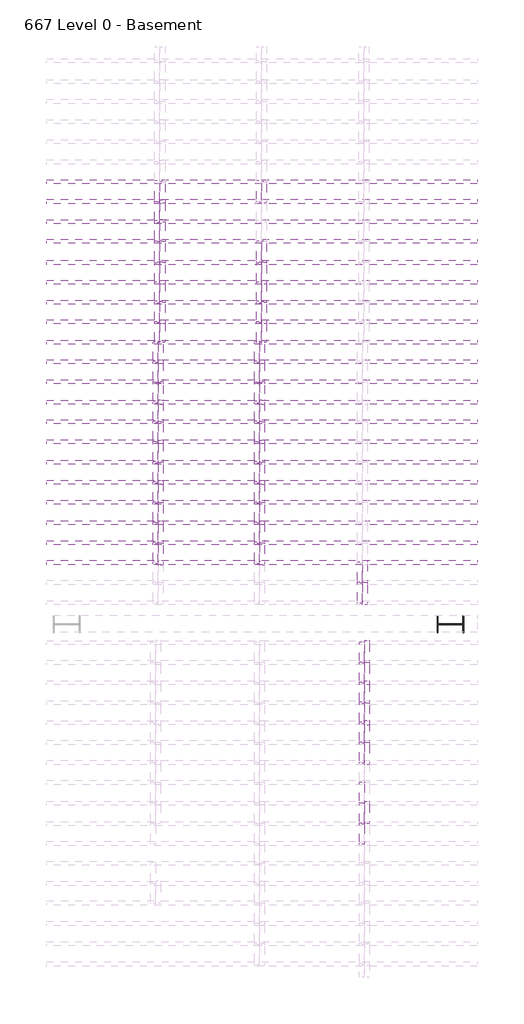
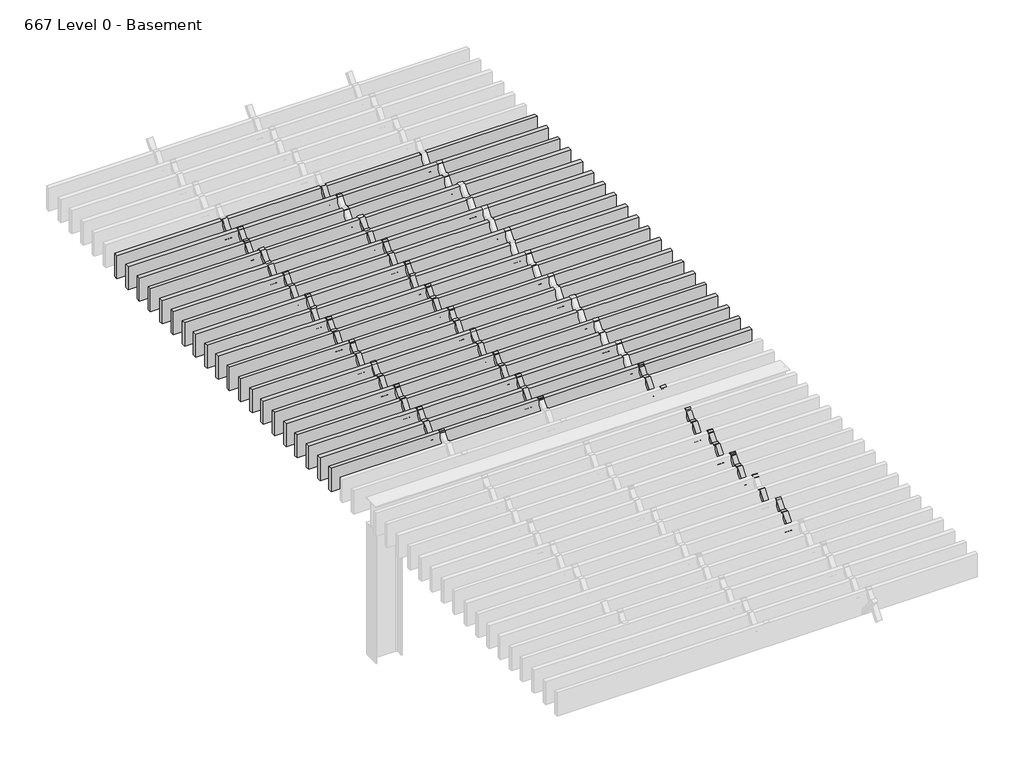
# One storey, part 8 of 19: 112 beams, 1 column.
"""IFC4 building model written with IfcOpenShell, lengths in millimetres."""

import ifcopenshell
import ifcopenshell.guid

model = None  # the IFC model being written
_history = None  # IfcOwnerHistory: only IFC2X3 demands one
_inside = {}  # id of a spatial element -> (the spatial element, [elements in it])
_under = {}  # id of a project, library or spatial element -> (it, [spatial elements below it])
_declared = {}  # id of a project -> (the project, [libraries it declares])
_typed = {}  # id of a type object -> (the type object, [elements of that type])
_made_of = {}  # id of a material, layer set ... -> (it, [elements and type objects made of it])


def new_model(schema):
    """Start an empty IFC model of exactly this schema.

    Asked for "IFC4X3", IfcOpenShell would pick the latest addendum, in which some entities
    have other attributes; the version numbers below select the first issue.
    IFC2X3 requires an IfcOwnerHistory on every rooted entity: one is made here for all.
    """
    global model, _history
    if schema == "IFC4X3":
        model = ifcopenshell.file(schema_version=(4, 3, 0, 0))
    else:
        model = ifcopenshell.file(schema=schema)
    _inside.clear()
    _under.clear()
    _declared.clear()
    _typed.clear()
    _made_of.clear()
    _history = None
    if model.schema == "IFC2X3":
        org = make("IfcOrganization", Name="unknown")
        user = make(
            "IfcPersonAndOrganization",
            ThePerson=make("IfcPerson", FamilyName="unknown"),
            TheOrganization=org,
        )
        app = make(
            "IfcApplication",
            ApplicationDeveloper=org,
            Version="unknown",
            ApplicationFullName="unknown",
            ApplicationIdentifier="unknown",
        )
        _history = make(
            "IfcOwnerHistory",
            OwningUser=user,
            OwningApplication=app,
            ChangeAction="ADDED",
            CreationDate=0,
        )
    return model


def make(cls, **values):
    """One entity of the class cls with the attributes given. An attribute that is None is left unset."""
    return model.create_entity(
        cls, **{name: value for name, value in values.items() if value is not None}
    )


def rooted(cls, **values):
    """An entity with a GlobalId (a new one), such as an element, a storey or a relation."""
    return make(cls, GlobalId=ifcopenshell.guid.new(), OwnerHistory=_history, **values)


def si_unit(unit_type, name, prefix=None):
    """IfcSIUnit, for example si_unit("LENGTHUNIT", "METRE", prefix="MILLI")."""
    return make("IfcSIUnit", UnitType=unit_type, Prefix=prefix, Name=name)


def assignment(units):
    """IfcUnitAssignment: the units of a project."""
    return None if units is None else make("IfcUnitAssignment", Units=units)


def point(xyz):
    """IfcCartesianPoint."""
    return None if xyz is None else make("IfcCartesianPoint", Coordinates=xyz)


def direction(xyz):
    """IfcDirection."""
    return None if xyz is None else make("IfcDirection", DirectionRatios=xyz)


def frame(location, z_axis=None, x_axis=None):
    """IfcAxis2Placement3D, a coordinate frame: its origin and axes. An axis left out is left unset."""
    return make(
        "IfcAxis2Placement3D",
        Location=point(location),
        Axis=direction(z_axis),
        RefDirection=direction(x_axis),
    )


def frame_2d(location, x_axis=None):
    """IfcAxis2Placement2D, a coordinate frame in the plane: its origin and x axis."""
    return make(
        "IfcAxis2Placement2D", Location=point(location), RefDirection=direction(x_axis)
    )


def origin():
    """The frame at (0, 0, 0) with its axes left unset."""
    return frame((0.0, 0.0, 0.0))


def place(relative_to, where):
    """IfcLocalPlacement: puts the frame where relative to a parent placement (None: the world)."""
    return make(
        "IfcLocalPlacement", PlacementRelTo=relative_to, RelativePlacement=where
    )


def context(
    kind, dimensions, precision=None, world=None, true_north=None, identifier=None
):
    """IfcGeometricRepresentationContext, for example the 3D "Model" context."""
    return make(
        "IfcGeometricRepresentationContext",
        ContextIdentifier=identifier,
        ContextType=kind,
        CoordinateSpaceDimension=dimensions,
        Precision=precision,
        WorldCoordinateSystem=world,
        TrueNorth=true_north,
    )


def project(units=None, contexts=None):
    """IfcProject with its units and contexts."""
    return rooted(
        "IfcProject",
        Name="project",
        RepresentationContexts=contexts,
        UnitsInContext=assignment(units),
    )


def spatial(cls, under=None, at=None, **own):
    """A site, building, storey or space (cls), placed at a placement, below another one or the project."""
    s = rooted(cls, ObjectPlacement=at, **own)
    if under is not None:
        _under.setdefault(under.id(), (under, []))[1].append(s)
    return s


def polyline(points):
    """IfcPolyline through the points."""
    return make("IfcPolyline", Points=[point(p) for p in points])


def circle_curve(where, radius):
    """IfcCircle in the frame where."""
    return make("IfcCircle", Position=where, Radius=radius)


def trimmed(basis, trim1, trim2, sense, master):
    """IfcTrimmedCurve: the piece of a basis curve between two trims."""
    return make(
        "IfcTrimmedCurve",
        BasisCurve=basis,
        Trim1=trim1,
        Trim2=trim2,
        SenseAgreement=sense,
        MasterRepresentation=master,
    )


def segment(curve, same_sense, transition):
    """IfcCompositeCurveSegment."""
    return make(
        "IfcCompositeCurveSegment",
        Transition=transition,
        SameSense=same_sense,
        ParentCurve=curve,
    )


def composite_curve(segments, self_intersect=None):
    """IfcCompositeCurve: segments joined end to end."""
    return make("IfcCompositeCurve", Segments=segments, SelfIntersect=self_intersect)


def outline(outer, holes=None, kind="AREA"):
    """IfcArbitraryClosedProfileDef: a profile drawn as a closed curve; with holes, ...WithVoids."""
    if holes is None:
        return make("IfcArbitraryClosedProfileDef", ProfileType=kind, OuterCurve=outer)
    return make(
        "IfcArbitraryProfileDefWithVoids",
        ProfileType=kind,
        OuterCurve=outer,
        InnerCurves=holes,
    )


def extrude(swept, where, along, depth):
    """IfcExtrudedAreaSolid: the profile swept, set in the frame where, extruded along a direction by depth."""
    return make(
        "IfcExtrudedAreaSolid",
        SweptArea=swept,
        Position=where,
        ExtrudedDirection=direction(along),
        Depth=depth,
    )


def shape(context_of_items, identifier, shape_type, items):
    """IfcShapeRepresentation: the items that make up one representation, for example the "Body"."""
    return make(
        "IfcShapeRepresentation",
        ContextOfItems=context_of_items,
        RepresentationIdentifier=identifier,
        RepresentationType=shape_type,
        Items=items,
    )


def source(mapping_origin, context_of_items, identifier, shape_type, items):
    """IfcRepresentationMap: a shape defined once, which mapped items show again and again."""
    return make(
        "IfcRepresentationMap",
        MappingOrigin=mapping_origin,
        MappedRepresentation=shape(context_of_items, identifier, shape_type, items),
    )


def transform(
    local_origin,
    x_axis=None,
    y_axis=None,
    z_axis=None,
    scale=None,
    scale2=None,
    scale3=None,
    uniform=True,
):
    """IfcCartesianTransformationOperator3D, or its non-uniform kind. x_axis, y_axis, z_axis: its Axis1, 2, 3."""
    if uniform:
        return make(
            "IfcCartesianTransformationOperator3D",
            Axis1=direction(x_axis),
            Axis2=direction(y_axis),
            LocalOrigin=point(local_origin),
            Scale=scale,
            Axis3=direction(z_axis),
        )
    return make(
        "IfcCartesianTransformationOperator3DnonUniform",
        Axis1=direction(x_axis),
        Axis2=direction(y_axis),
        LocalOrigin=point(local_origin),
        Scale=scale,
        Axis3=direction(z_axis),
        Scale2=scale2,
        Scale3=scale3,
    )


def mapped(mapping_source, mapping_target):
    """IfcMappedItem: shows the shape of a source again, moved by a transform."""
    return make(
        "IfcMappedItem", MappingSource=mapping_source, MappingTarget=mapping_target
    )


def made_of(thing, what):
    """Note that an element or type object is made of a material, layer set ...; save() writes the relation."""
    if what is not None:
        _made_of.setdefault(what.id(), (what, []))[1].append(thing)
    return thing


def element(
    cls,
    number,
    at=None,
    inside=None,
    cuts=None,
    type_object=None,
    material=None,
    context=None,
    identifier="Body",
    shape_type=None,
    held_by="IfcProductDefinitionShape",
    body=None,
    shapes=None,
    **own,
):
    """One element of the class cls, such as IfcWall. Its Tag is "e" and its number.

    at: its placement. inside: the storey or other place that contains it. cuts: it is an
    opening in that element (IfcRelVoidsElement). A single representation is given by context,
    identifier, shape_type and body (its items); several are given by shapes. held_by: the class
    of the entity that holds the representations. save() writes the other relations.
    """
    e = rooted(cls, Tag="e%d" % number, ObjectPlacement=at, **own)
    if body is not None:
        shapes = [shape(context, identifier, shape_type, body)]
    if shapes is not None:
        e.Representation = make(held_by, Representations=shapes)
    if inside is not None:
        _inside.setdefault(inside.id(), (inside, []))[1].append(e)
    if cuts is not None:
        rooted(
            "IfcRelVoidsElement", RelatingBuildingElement=cuts, RelatedOpeningElement=e
        )
    if type_object is not None:
        _typed.setdefault(type_object.id(), (type_object, []))[1].append(e)
    return made_of(e, material)


def aggregate(whole, parts):
    """IfcRelAggregates: a whole, such as a stair, and the parts it consists of."""
    return rooted("IfcRelAggregates", RelatingObject=whole, RelatedObjects=parts)


def save(model, path):
    """Write the relations noted so far, then the file.

    IfcRelAggregates (storeys below a building ...), IfcRelContainedInSpatialStructure (elements
    in a storey), IfcRelDefinesByType, IfcRelAssociatesMaterial and IfcRelDeclares: one each for
    every whole, place, type object, material and project.
    """
    for whole, parts in _under.values():
        aggregate(whole, parts)
    for where, things in _inside.values():
        rooted(
            "IfcRelContainedInSpatialStructure",
            RelatedElements=things,
            RelatingStructure=where,
        )
    for kind, things in _typed.values():
        rooted("IfcRelDefinesByType", RelatedObjects=things, RelatingType=kind)
    for what, things in _made_of.values():
        rooted("IfcRelAssociatesMaterial", RelatedObjects=things, RelatingMaterial=what)
    for by, libraries in _declared.values():
        rooted("IfcRelDeclares", RelatingContext=by, RelatedDefinitions=libraries)
    model.write(path)


def beam_e096f4d1(model_context):
    return source(origin(), model_context, "Body", "SweptSolid", [
        extrude(outline(polyline([(3282.95, 31.75), (3282.95, -31.75), (-3282.95, -31.75), (-3282.95, 31.75), (3282.95, 31.75)])), frame((0.0, 0.0, -190.5), z_axis=(0.0, 0.0, 1.0), x_axis=(1.0, 0.0, 0.0)), (0.0, 0.0, 1.0), 381.0),
    ])


def beam_159ec1f6(model_context):
    return source(origin(), model_context, "Body", "SweptSolid", [
        extrude(outline(polyline([(234.2662022, 25.4), (234.2662022, -25.4), (-234.2662022, -25.4), (-234.2662022, 25.4), (234.2662022, 25.4)])), frame((0.0, 0.0, -38.1), z_axis=(0.0, 0.0, 1.0), x_axis=(1.0, 0.0, 0.0)), (0.0, 0.0, 1.0), 76.2),
    ])


def beam_ee6f6494(model_context):
    return source(origin(), model_context, "Body", "SweptSolid", [
        extrude(outline(polyline([(234.2662022, -25.4), (-234.2662022, -25.4), (-234.2662022, 25.4), (234.2662022, 25.4), (234.2662022, -25.4)])), frame((0.0, 0.0, -38.1), z_axis=(0.0, 0.0, 1.0), x_axis=(1.0, 0.0, 0.0)), (0.0, 0.0, 1.0), 76.2),
    ])


def beam_812954b7(model_context):
    return source(origin(), model_context, "Body", "SweptSolid", [
        extrude(outline(polyline([(239.7234914, -25.4), (-239.7234914, -25.4), (-239.7234914, 25.4), (239.7234914, 25.4), (239.7234914, -25.4)])), frame((0.0, 0.0, -38.1), z_axis=(0.0, 0.0, 1.0), x_axis=(1.0, 0.0, 0.0)), (0.0, 0.0, 1.0), 76.2),
    ])


def beam_bad0900d(model_context):
    return source(origin(), model_context, "Body", "SweptSolid", [
        extrude(outline(polyline([(239.7234914, 25.4), (239.7234914, -25.4), (-239.7234914, -25.4), (-239.7234914, 25.4), (239.7234914, 25.4)])), frame((0.0, 0.0, -38.1), z_axis=(0.0, 0.0, 1.0), x_axis=(1.0, 0.0, 0.0)), (0.0, 0.0, 1.0), 76.2),
    ])


model = new_model("IFC4")

# Units and contexts
model_context = context("Model", 3, world=origin())
ifc_project = project(units=[si_unit("LENGTHUNIT", "METRE", prefix="MILLI")], contexts=[model_context])

# Site, building, storey
site = spatial("IfcSite", under=ifc_project)
building = spatial("IfcBuilding", under=site)
storey = spatial("IfcBuildingStorey", under=building, Name="667 Level 0 - Basement", Elevation=-14122.4)

# Beams
placement = place(None, origin())
beam_shape = beam_e096f4d1(model_context)
element("IfcBeam", 1, ObjectType="Timber : 2 1/2\" x 15\"", at=placement, inside=storey, context=model_context, shape_type="MappedRepresentation", body=[
    mapped(beam_shape, transform((-8760.4469605, 21931.8073142, -11493.5), x_axis=(1.0, 0.0, 0.0), y_axis=(0.0, 1.0, 0.0), z_axis=(0.0, 0.0, 1.0))),
])
element("IfcBeam", 2, ObjectType="Timber : 2 1/2\" x 15\"", at=placement, inside=storey, context=model_context, shape_type="MappedRepresentation", body=[
    mapped(beam_shape, transform((-8760.4469605, 21628.5948142, -11493.5), x_axis=(1.0, 0.0, 0.0), y_axis=(0.0, 1.0, 0.0), z_axis=(0.0, 0.0, 1.0))),
])
element("IfcBeam", 3, ObjectType="Timber : 2 1/2\" x 15\"", at=placement, inside=storey, context=model_context, shape_type="MappedRepresentation", body=[
    mapped(beam_shape, transform((-8760.4469605, 21320.6198142, -11493.5), x_axis=(1.0, 0.0, 0.0), y_axis=(0.0, 1.0, 0.0), z_axis=(0.0, 0.0, 1.0))),
])
element("IfcBeam", 4, ObjectType="Timber : 2 1/2\" x 15\"", at=placement, inside=storey, context=model_context, shape_type="MappedRepresentation", body=[
    mapped(beam_shape, transform((-8760.4469605, 21025.3448142, -11493.5), x_axis=(1.0, 0.0, 0.0), y_axis=(0.0, 1.0, 0.0), z_axis=(0.0, 0.0, 1.0))),
])
element("IfcBeam", 5, ObjectType="Timber : 2 1/2\" x 15\"", at=placement, inside=storey, context=model_context, shape_type="MappedRepresentation", body=[
    mapped(beam_shape, transform((-8760.4469605, 20701.4948142, -11493.5), x_axis=(1.0, 0.0, 0.0), y_axis=(0.0, 1.0, 0.0), z_axis=(0.0, 0.0, 1.0))),
])
element("IfcBeam", 6, ObjectType="Timber : 2 1/2\" x 15\"", at=placement, inside=storey, context=model_context, shape_type="MappedRepresentation", body=[
    mapped(beam_shape, transform((-8760.4469605, 20401.4573142, -11493.5), x_axis=(1.0, 0.0, 0.0), y_axis=(0.0, 1.0, 0.0), z_axis=(0.0, 0.0, 1.0))),
])
element("IfcBeam", 7, ObjectType="Timber : 2 1/2\" x 15\"", at=placement, inside=storey, context=model_context, shape_type="MappedRepresentation", body=[
    mapped(beam_shape, transform((-8760.4469605, 20098.2448142, -11493.5), x_axis=(1.0, 0.0, 0.0), y_axis=(0.0, 1.0, 0.0), z_axis=(0.0, 0.0, 1.0))),
])
element("IfcBeam", 8, ObjectType="Timber : 2 1/2\" x 15\"", at=placement, inside=storey, context=model_context, shape_type="MappedRepresentation", body=[
    mapped(beam_shape, transform((-8760.4469605, 19796.6198142, -11493.5), x_axis=(1.0, 0.0, 0.0), y_axis=(0.0, 1.0, 0.0), z_axis=(0.0, 0.0, 1.0))),
])
element("IfcBeam", 9, ObjectType="Timber : 2 1/2\" x 15\"", at=placement, inside=storey, context=model_context, shape_type="MappedRepresentation", body=[
    mapped(beam_shape, transform((-8760.4469605, 19488.6448142, -11493.5), x_axis=(1.0, 0.0, 0.0), y_axis=(0.0, 1.0, 0.0), z_axis=(0.0, 0.0, 1.0))),
])
element("IfcBeam", 10, ObjectType="Timber : 2 1/2\" x 15\"", at=placement, inside=storey, context=model_context, shape_type="MappedRepresentation", body=[
    mapped(beam_shape, transform((-8760.4469605, 19190.1948142, -11493.5), x_axis=(1.0, 0.0, 0.0), y_axis=(0.0, 1.0, 0.0), z_axis=(0.0, 0.0, 1.0))),
])
element("IfcBeam", 11, ObjectType="Timber : 2 1/2\" x 15\"", at=placement, inside=storey, context=model_context, shape_type="MappedRepresentation", body=[
    mapped(beam_shape, transform((-8760.4469605, 18885.3948142, -11493.5), x_axis=(1.0, 0.0, 0.0), y_axis=(0.0, 1.0, 0.0), z_axis=(0.0, 0.0, 1.0))),
])
element("IfcBeam", 12, ObjectType="Timber : 2 1/2\" x 15\"", at=placement, inside=storey, context=model_context, shape_type="MappedRepresentation", body=[
    mapped(beam_shape, transform((-8760.4469605, 18574.2448142, -11493.5), x_axis=(1.0, 0.0, 0.0), y_axis=(0.0, 1.0, 0.0), z_axis=(0.0, 0.0, 1.0))),
])
element("IfcBeam", 13, ObjectType="Timber : 2 1/2\" x 15\"", at=placement, inside=storey, context=model_context, shape_type="MappedRepresentation", body=[
    mapped(beam_shape, transform((-8760.4469605, 18275.7948142, -11493.5), x_axis=(1.0, 0.0, 0.0), y_axis=(0.0, 1.0, 0.0), z_axis=(0.0, 0.0, 1.0))),
])
element("IfcBeam", 14, ObjectType="Timber : 2 1/2\" x 15\"", at=placement, inside=storey, context=model_context, shape_type="MappedRepresentation", body=[
    mapped(beam_shape, transform((-8760.4469605, 17970.9948142, -11493.5), x_axis=(1.0, 0.0, 0.0), y_axis=(0.0, 1.0, 0.0), z_axis=(0.0, 0.0, 1.0))),
])
element("IfcBeam", 15, ObjectType="Timber : 2 1/2\" x 15\"", at=placement, inside=storey, context=model_context, shape_type="MappedRepresentation", body=[
    mapped(beam_shape, transform((-8760.4469605, 17659.8448142, -11493.5), x_axis=(1.0, 0.0, 0.0), y_axis=(0.0, 1.0, 0.0), z_axis=(0.0, 0.0, 1.0))),
])
element("IfcBeam", 16, ObjectType="Timber : 2 1/2\" x 15\"", at=placement, inside=storey, context=model_context, shape_type="MappedRepresentation", body=[
    mapped(beam_shape, transform((-8760.4469605, 17355.0448142, -11493.5), x_axis=(1.0, 0.0, 0.0), y_axis=(0.0, 1.0, 0.0), z_axis=(0.0, 0.0, 1.0))),
])
element("IfcBeam", 17, ObjectType="Timber : 2 1/2\" x 15\"", at=placement, inside=storey, context=model_context, shape_type="MappedRepresentation", body=[
    mapped(beam_shape, transform((-8760.4469605, 17050.2448142, -11493.5), x_axis=(1.0, 0.0, 0.0), y_axis=(0.0, 1.0, 0.0), z_axis=(0.0, 0.0, 1.0))),
])
element("IfcBeam", 18, ObjectType="Timber : 2 1/2\" x 15\"", at=placement, inside=storey, context=model_context, shape_type="MappedRepresentation", body=[
    mapped(beam_shape, transform((-8760.4469605, 16739.0948142, -11493.5), x_axis=(1.0, 0.0, 0.0), y_axis=(0.0, 1.0, 0.0), z_axis=(0.0, 0.0, 1.0))),
])
element("IfcBeam", 19, ObjectType="Timber : 2 1/2\" x 15\"", at=placement, inside=storey, context=model_context, shape_type="MappedRepresentation", body=[
    mapped(beam_shape, transform((-8760.4469605, 16434.2948142, -11493.5), x_axis=(1.0, 0.0, 0.0), y_axis=(0.0, 1.0, 0.0), z_axis=(0.0, 0.0, 1.0))),
])
element("IfcBeam", 20, ObjectType="Timber : 2 1/2\" x 15\"", at=placement, inside=storey, context=model_context, shape_type="MappedRepresentation", body=[
    mapped(beam_shape, transform((-8760.4469605, 16135.8448142, -11493.5), x_axis=(1.0, 0.0, 0.0), y_axis=(0.0, 1.0, 0.0), z_axis=(0.0, 0.0, 1.0))),
])
beam_2_shape = beam_159ec1f6(model_context)
element("IfcBeam", 21, ObjectType="Timber : 2\" x 3\"", at=placement, inside=storey, context=model_context, shape_type="MappedRepresentation", body=[
    mapped(beam_2_shape, transform((-8808.4686476, 20868.2565483, -11484.460198), x_axis=(0.0, 0.6200869173955728, -0.7845331190426929), y_axis=(0.0, -0.7845331190426945, -0.6200869173955706), z_axis=(-1.0, 0.0, 0.0))),
])
element("IfcBeam", 22, ObjectType="Timber : 2\" x 3\"", at=placement, inside=storey, context=model_context, shape_type="MappedRepresentation", body=[
    mapped(beam_2_shape, transform((-8808.4686476, 20244.3690483, -11484.460198), x_axis=(0.0, 0.6200869173955728, -0.7845331190426929), y_axis=(0.0, -0.7845331190426945, -0.6200869173955706), z_axis=(-1.0, 0.0, 0.0))),
])
element("IfcBeam", 23, ObjectType="Timber : 2\" x 3\"", at=placement, inside=storey, context=model_context, shape_type="MappedRepresentation", body=[
    mapped(beam_2_shape, transform((-8833.8686476, 19037.8690483, -11484.460198), x_axis=(0.0, 0.6200869173955728, -0.7845331190426929), y_axis=(0.0, -0.7845331190426923, -0.6200869173955735), z_axis=(-1.0, 0.0, 0.0))),
])
element("IfcBeam", 24, ObjectType="Timber : 2\" x 3\"", at=placement, inside=storey, context=model_context, shape_type="MappedRepresentation", body=[
    mapped(beam_2_shape, transform((-8833.8686476, 18428.2690483, -11484.460198), x_axis=(0.0, 0.6200869173955728, -0.7845331190426929), y_axis=(0.0, -0.7845331190426923, -0.6200869173955735), z_axis=(-1.0, 0.0, 0.0))),
])
element("IfcBeam", 25, ObjectType="Timber : 2\" x 3\"", at=placement, inside=storey, context=model_context, shape_type="MappedRepresentation", body=[
    mapped(beam_2_shape, transform((-8833.8686476, 17812.3190483, -11484.460198), x_axis=(0.0, 0.6200869173955728, -0.7845331190426929), y_axis=(0.0, -0.7845331190426923, -0.6200869173955735), z_axis=(-1.0, 0.0, 0.0))),
])
element("IfcBeam", 26, ObjectType="Timber : 2\" x 3\"", at=placement, inside=storey, context=model_context, shape_type="MappedRepresentation", body=[
    mapped(beam_2_shape, transform((-8833.8686476, 17202.7190483, -11484.460198), x_axis=(0.0, 0.6200869173955728, -0.7845331190426929), y_axis=(0.0, -0.7845331190426923, -0.6200869173955735), z_axis=(-1.0, 0.0, 0.0))),
])
element("IfcBeam", 27, ObjectType="Timber : 2\" x 3\"", at=placement, inside=storey, context=model_context, shape_type="MappedRepresentation", body=[
    mapped(beam_2_shape, transform((-8833.8686476, 16586.7690483, -11484.460198), x_axis=(0.0, 0.6200869173955728, -0.7845331190426929), y_axis=(0.0, -0.7845331190426923, -0.6200869173955735), z_axis=(-1.0, 0.0, 0.0))),
])
element("IfcBeam", 28, ObjectType="Timber : 2\" x 3\"", at=placement, inside=storey, context=model_context, shape_type="MappedRepresentation", body=[
    mapped(beam_2_shape, transform((-8808.4686476, 19641.1190483, -11484.460198), x_axis=(0.0, 0.6200869173955728, -0.7845331190426929), y_axis=(0.0, -0.7845331190426945, -0.6200869173955706), z_axis=(-1.0, 0.0, 0.0))),
])
element("IfcBeam", 29, ObjectType="Timber : 2\" x 3\"", at=placement, inside=storey, context=model_context, shape_type="MappedRepresentation", body=[
    mapped(beam_2_shape, transform((-7269.2571632, 15983.5190483, -11484.460198), x_axis=(0.0, 0.6200869173955728, -0.7845331190426929), y_axis=(0.0, -0.7845331190426923, -0.6200869173955735), z_axis=(-1.0, 0.0, 0.0))),
])
element("IfcBeam", 30, ObjectType="Timber : 2\" x 3\"", at=placement, inside=storey, context=model_context, shape_type="MappedRepresentation", body=[
    mapped(beam_2_shape, transform((-10354.6829018, 21471.5065483, -11484.460198), x_axis=(0.0, 0.6200869173955728, -0.7845331190426929), y_axis=(0.0, -0.7845331190426945, -0.6200869173955706), z_axis=(-1.0, 0.0, 0.0))),
])
element("IfcBeam", 31, ObjectType="Timber : 2\" x 3\"", at=placement, inside=storey, context=model_context, shape_type="MappedRepresentation", body=[
    mapped(beam_2_shape, transform((-10354.6829018, 20868.2565483, -11484.460198), x_axis=(0.0, 0.6200869173955728, -0.7845331190426929), y_axis=(0.0, -0.7845331190426945, -0.6200869173955706), z_axis=(-1.0, 0.0, 0.0))),
])
element("IfcBeam", 32, ObjectType="Timber : 2\" x 3\"", at=placement, inside=storey, context=model_context, shape_type="MappedRepresentation", body=[
    mapped(beam_2_shape, transform((-10354.6829018, 20244.3690483, -11484.460198), x_axis=(0.0, 0.6200869173955728, -0.7845331190426929), y_axis=(0.0, -0.7845331190426945, -0.6200869173955706), z_axis=(-1.0, 0.0, 0.0))),
])
element("IfcBeam", 33, ObjectType="Timber : 2\" x 3\"", at=placement, inside=storey, context=model_context, shape_type="MappedRepresentation", body=[
    mapped(beam_2_shape, transform((-10380.0829018, 19037.8690483, -11484.460198), x_axis=(0.0, 0.6200869173955728, -0.7845331190426929), y_axis=(0.0, -0.7845331190426923, -0.6200869173955735), z_axis=(-1.0, 0.0, 0.0))),
])
element("IfcBeam", 34, ObjectType="Timber : 2\" x 3\"", at=placement, inside=storey, context=model_context, shape_type="MappedRepresentation", body=[
    mapped(beam_2_shape, transform((-10380.0829018, 18428.2690483, -11484.460198), x_axis=(0.0, 0.6200869173955728, -0.7845331190426929), y_axis=(0.0, -0.7845331190426923, -0.6200869173955735), z_axis=(-1.0, 0.0, 0.0))),
])
element("IfcBeam", 35, ObjectType="Timber : 2\" x 3\"", at=placement, inside=storey, context=model_context, shape_type="MappedRepresentation", body=[
    mapped(beam_2_shape, transform((-10380.0829018, 17812.3190483, -11484.460198), x_axis=(0.0, 0.6200869173955728, -0.7845331190426929), y_axis=(0.0, -0.7845331190426923, -0.6200869173955735), z_axis=(-1.0, 0.0, 0.0))),
])
element("IfcBeam", 36, ObjectType="Timber : 2\" x 3\"", at=placement, inside=storey, context=model_context, shape_type="MappedRepresentation", body=[
    mapped(beam_2_shape, transform((-10380.0829018, 17202.7190483, -11484.460198), x_axis=(0.0, 0.6200869173955728, -0.7845331190426929), y_axis=(0.0, -0.7845331190426923, -0.6200869173955735), z_axis=(-1.0, 0.0, 0.0))),
])
element("IfcBeam", 37, ObjectType="Timber : 2\" x 3\"", at=placement, inside=storey, context=model_context, shape_type="MappedRepresentation", body=[
    mapped(beam_2_shape, transform((-10380.0829018, 16586.7690483, -11484.460198), x_axis=(0.0, 0.6200869173955728, -0.7845331190426929), y_axis=(0.0, -0.7845331190426923, -0.6200869173955735), z_axis=(-1.0, 0.0, 0.0))),
])
element("IfcBeam", 38, ObjectType="Timber : 2\" x 3\"", at=placement, inside=storey, context=model_context, shape_type="MappedRepresentation", body=[
    mapped(beam_2_shape, transform((-10354.6829018, 19641.1190483, -11484.460198), x_axis=(0.0, 0.6200869173955728, -0.7845331190426929), y_axis=(0.0, -0.7845331190426945, -0.6200869173955706), z_axis=(-1.0, 0.0, 0.0))),
])
element("IfcBeam", 39, ObjectType="Timber : 2\" x 3\"", at=placement, inside=storey, context=model_context, shape_type="MappedRepresentation", body=[
    mapped(beam_2_shape, transform((-7240.6916139, 14764.3190483, -11484.460198), x_axis=(0.0, 0.6200869173955728, -0.7845331190426929), y_axis=(0.0, -0.7845331190426923, -0.6200869173955735), z_axis=(-1.0, 0.0, 0.0))),
])
element("IfcBeam", 40, ObjectType="Timber : 2\" x 3\"", at=placement, inside=storey, context=model_context, shape_type="MappedRepresentation", body=[
    mapped(beam_2_shape, transform((-7240.6916139, 14151.5440483, -11484.460198), x_axis=(0.0, 0.6200869173955728, -0.7845331190426929), y_axis=(0.0, -0.7845331190426923, -0.6200869173955735), z_axis=(-1.0, 0.0, 0.0))),
])
element("IfcBeam", 41, ObjectType="Timber : 2\" x 3\"", at=placement, inside=storey, context=model_context, shape_type="MappedRepresentation", body=[
    mapped(beam_2_shape, transform((-7240.6916139, 13548.2940483, -11484.460198), x_axis=(0.0, 0.6200869173955728, -0.7845331190426929), y_axis=(0.0, -0.7845331190426923, -0.6200869173955735), z_axis=(-1.0, 0.0, 0.0))),
])
element("IfcBeam", 42, ObjectType="Timber : 2\" x 3\"", at=placement, inside=storey, context=model_context, shape_type="MappedRepresentation", body=[
    mapped(beam_2_shape, transform((-7240.6916139, 12313.2190483, -11484.460198), x_axis=(0.0, 0.6200869173955728, -0.7845331190426929), y_axis=(0.0, -0.7845331190426923, -0.6200869173955735), z_axis=(-1.0, 0.0, 0.0))),
])
beam_3_shape = beam_ee6f6494(model_context)
element("IfcBeam", 43, ObjectType="Timber : 2\" x 3\"", at=placement, inside=storey, context=model_context, shape_type="MappedRepresentation", body=[
    mapped(beam_3_shape, transform((-8808.4686476, 21785.6830801, -11484.460198), x_axis=(0.0, -0.6200869173955728, -0.7845331190426929), y_axis=(0.0, -0.7845331190426945, 0.6200869173955706), z_axis=(-1.0, 0.0, 0.0))),
])
element("IfcBeam", 44, ObjectType="Timber : 2\" x 3\"", at=placement, inside=storey, context=model_context, shape_type="MappedRepresentation", body=[
    mapped(beam_3_shape, transform((-8808.4686476, 20534.7330801, -11484.460198), x_axis=(0.0, -0.6200869173955728, -0.7845331190426929), y_axis=(0.0, -0.7845331190426945, 0.6200869173955706), z_axis=(-1.0, 0.0, 0.0))),
])
element("IfcBeam", 45, ObjectType="Timber : 2\" x 3\"", at=placement, inside=storey, context=model_context, shape_type="MappedRepresentation", body=[
    mapped(beam_3_shape, transform((-8808.4686476, 19952.1205801, -11484.460198), x_axis=(0.0, -0.6200869173955728, -0.7845331190426929), y_axis=(0.0, -0.7845331190426945, 0.6200869173955706), z_axis=(-1.0, 0.0, 0.0))),
])
element("IfcBeam", 46, ObjectType="Timber : 2\" x 3\"", at=placement, inside=storey, context=model_context, shape_type="MappedRepresentation", body=[
    mapped(beam_3_shape, transform((-8833.8686476, 19342.5205801, -11484.460198), x_axis=(0.0, -0.6200869173955728, -0.7845331190426929), y_axis=(0.0, -0.7845331190426923, 0.6200869173955735), z_axis=(-1.0, 0.0, 0.0))),
])
element("IfcBeam", 47, ObjectType="Timber : 2\" x 3\"", at=placement, inside=storey, context=model_context, shape_type="MappedRepresentation", body=[
    mapped(beam_3_shape, transform((-8833.8686476, 18720.2205801, -11484.460198), x_axis=(0.0, -0.6200869173955728, -0.7845331190426929), y_axis=(0.0, -0.7845331190426923, 0.6200869173955735), z_axis=(-1.0, 0.0, 0.0))),
])
element("IfcBeam", 48, ObjectType="Timber : 2\" x 3\"", at=placement, inside=storey, context=model_context, shape_type="MappedRepresentation", body=[
    mapped(beam_3_shape, transform((-8833.8686476, 17507.3705801, -11484.460198), x_axis=(0.0, -0.6200869173955728, -0.7845331190426929), y_axis=(0.0, -0.7845331190426923, 0.6200869173955735), z_axis=(-1.0, 0.0, 0.0))),
])
element("IfcBeam", 49, ObjectType="Timber : 2\" x 3\"", at=placement, inside=storey, context=model_context, shape_type="MappedRepresentation", body=[
    mapped(beam_3_shape, transform((-8833.8686476, 18129.6705801, -11484.460198), x_axis=(0.0, -0.6200869173955728, -0.7845331190426929), y_axis=(0.0, -0.7845331190426923, 0.6200869173955735), z_axis=(-1.0, 0.0, 0.0))),
])
element("IfcBeam", 50, ObjectType="Timber : 2\" x 3\"", at=placement, inside=storey, context=model_context, shape_type="MappedRepresentation", body=[
    mapped(beam_3_shape, transform((-8833.8686476, 16897.7705801, -11484.460198), x_axis=(0.0, -0.6200869173955728, -0.7845331190426929), y_axis=(0.0, -0.7845331190426923, 0.6200869173955735), z_axis=(-1.0, 0.0, 0.0))),
])
element("IfcBeam", 51, ObjectType="Timber : 2\" x 3\"", at=placement, inside=storey, context=model_context, shape_type="MappedRepresentation", body=[
    mapped(beam_3_shape, transform((-8833.8686476, 16281.8205801, -11484.460198), x_axis=(0.0, -0.6200869173955728, -0.7845331190426929), y_axis=(0.0, -0.7845331190426923, 0.6200869173955735), z_axis=(-1.0, 0.0, 0.0))),
])
element("IfcBeam", 52, ObjectType="Timber : 2\" x 3\"", at=placement, inside=storey, context=model_context, shape_type="MappedRepresentation", body=[
    mapped(beam_3_shape, transform((-7269.2571632, 15678.5705801, -11484.460198), x_axis=(0.0, -0.6200869173955728, -0.7845331190426929), y_axis=(0.0, -0.7845331190426923, 0.6200869173955735), z_axis=(-1.0, 0.0, 0.0))),
])
element("IfcBeam", 53, ObjectType="Timber : 2\" x 3\"", at=placement, inside=storey, context=model_context, shape_type="MappedRepresentation", body=[
    mapped(beam_3_shape, transform((-10354.6829018, 21785.6830801, -11484.460198), x_axis=(0.0, -0.6200869173955728, -0.7845331190426929), y_axis=(0.0, -0.7845331190426945, 0.6200869173955706), z_axis=(-1.0, 0.0, 0.0))),
])
element("IfcBeam", 54, ObjectType="Timber : 2\" x 3\"", at=placement, inside=storey, context=model_context, shape_type="MappedRepresentation", body=[
    mapped(beam_3_shape, transform((-10354.6829018, 20534.7330801, -11484.460198), x_axis=(0.0, -0.6200869173955728, -0.7845331190426929), y_axis=(0.0, -0.7845331190426945, 0.6200869173955706), z_axis=(-1.0, 0.0, 0.0))),
])
element("IfcBeam", 55, ObjectType="Timber : 2\" x 3\"", at=placement, inside=storey, context=model_context, shape_type="MappedRepresentation", body=[
    mapped(beam_3_shape, transform((-10354.6829018, 19952.1205801, -11484.460198), x_axis=(0.0, -0.6200869173955728, -0.7845331190426929), y_axis=(0.0, -0.7845331190426945, 0.6200869173955706), z_axis=(-1.0, 0.0, 0.0))),
])
element("IfcBeam", 56, ObjectType="Timber : 2\" x 3\"", at=placement, inside=storey, context=model_context, shape_type="MappedRepresentation", body=[
    mapped(beam_3_shape, transform((-10380.0829018, 19342.5205801, -11484.460198), x_axis=(0.0, -0.6200869173955728, -0.7845331190426929), y_axis=(0.0, -0.7845331190426923, 0.6200869173955735), z_axis=(-1.0, 0.0, 0.0))),
])
element("IfcBeam", 57, ObjectType="Timber : 2\" x 3\"", at=placement, inside=storey, context=model_context, shape_type="MappedRepresentation", body=[
    mapped(beam_3_shape, transform((-10380.0829018, 18720.2205801, -11484.460198), x_axis=(0.0, -0.6200869173955728, -0.7845331190426929), y_axis=(0.0, -0.7845331190426923, 0.6200869173955735), z_axis=(-1.0, 0.0, 0.0))),
])
element("IfcBeam", 58, ObjectType="Timber : 2\" x 3\"", at=placement, inside=storey, context=model_context, shape_type="MappedRepresentation", body=[
    mapped(beam_3_shape, transform((-10380.0829018, 17507.3705801, -11484.460198), x_axis=(0.0, -0.6200869173955728, -0.7845331190426929), y_axis=(0.0, -0.7845331190426923, 0.6200869173955735), z_axis=(-1.0, 0.0, 0.0))),
])
element("IfcBeam", 59, ObjectType="Timber : 2\" x 3\"", at=placement, inside=storey, context=model_context, shape_type="MappedRepresentation", body=[
    mapped(beam_3_shape, transform((-10380.0829018, 18129.6705801, -11484.460198), x_axis=(0.0, -0.6200869173955728, -0.7845331190426929), y_axis=(0.0, -0.7845331190426923, 0.6200869173955735), z_axis=(-1.0, 0.0, 0.0))),
])
element("IfcBeam", 60, ObjectType="Timber : 2\" x 3\"", at=placement, inside=storey, context=model_context, shape_type="MappedRepresentation", body=[
    mapped(beam_3_shape, transform((-10354.6829018, 21182.4330801, -11484.460198), x_axis=(0.0, -0.6200869173955728, -0.7845331190426929), y_axis=(0.0, -0.7845331190426945, 0.6200869173955706), z_axis=(-1.0, 0.0, 0.0))),
])
element("IfcBeam", 61, ObjectType="Timber : 2\" x 3\"", at=placement, inside=storey, context=model_context, shape_type="MappedRepresentation", body=[
    mapped(beam_3_shape, transform((-10380.0829018, 16897.7705801, -11484.460198), x_axis=(0.0, -0.6200869173955728, -0.7845331190426929), y_axis=(0.0, -0.7845331190426923, 0.6200869173955735), z_axis=(-1.0, 0.0, 0.0))),
])
element("IfcBeam", 62, ObjectType="Timber : 2\" x 3\"", at=placement, inside=storey, context=model_context, shape_type="MappedRepresentation", body=[
    mapped(beam_3_shape, transform((-10380.0829018, 16281.8205801, -11484.460198), x_axis=(0.0, -0.6200869173955728, -0.7845331190426929), y_axis=(0.0, -0.7845331190426923, 0.6200869173955735), z_axis=(-1.0, 0.0, 0.0))),
])
element("IfcBeam", 63, ObjectType="Timber : 2\" x 3\"", at=placement, inside=storey, context=model_context, shape_type="MappedRepresentation", body=[
    mapped(beam_3_shape, transform((-7240.6916139, 14459.3705801, -11484.460198), x_axis=(0.0, -0.6200869173955728, -0.7845331190426929), y_axis=(0.0, -0.7845331190426923, 0.6200869173955735), z_axis=(-1.0, 0.0, 0.0))),
])
element("IfcBeam", 64, ObjectType="Timber : 2\" x 3\"", at=placement, inside=storey, context=model_context, shape_type="MappedRepresentation", body=[
    mapped(beam_3_shape, transform((-7240.6916139, 13846.5955801, -11484.460198), x_axis=(0.0, -0.6200869173955728, -0.7845331190426929), y_axis=(0.0, -0.7845331190426923, 0.6200869173955735), z_axis=(-1.0, 0.0, 0.0))),
])
element("IfcBeam", 65, ObjectType="Timber : 2\" x 3\"", at=placement, inside=storey, context=model_context, shape_type="MappedRepresentation", body=[
    mapped(beam_3_shape, transform((-7240.6916139, 13243.3455801, -11484.460198), x_axis=(0.0, -0.6200869173955728, -0.7845331190426929), y_axis=(0.0, -0.7845331190426923, 0.6200869173955735), z_axis=(-1.0, 0.0, 0.0))),
])
element("IfcBeam", 66, ObjectType="Timber : 2\" x 3\"", at=placement, inside=storey, context=model_context, shape_type="MappedRepresentation", body=[
    mapped(beam_3_shape, transform((-7240.6916139, 12633.7455801, -11484.460198), x_axis=(0.0, -0.6200869173955728, -0.7845331190426929), y_axis=(0.0, -0.7845331190426923, 0.6200869173955735), z_axis=(-1.0, 0.0, 0.0))),
])
element("IfcBeam", 67, ObjectType="Timber : 2\" x 3\"", at=placement, inside=storey, context=model_context, shape_type="MappedRepresentation", body=[
    mapped(beam_3_shape, transform((-7240.6916139, 12008.2705801, -11484.460198), x_axis=(0.0, -0.6200869173955728, -0.7845331190426929), y_axis=(0.0, -0.7845331190426923, 0.6200869173955735), z_axis=(-1.0, 0.0, 0.0))),
])
beam_4_shape = beam_812954b7(model_context)
element("IfcBeam", 68, ObjectType="Timber : 2\" x 3\"", at=placement, inside=storey, context=model_context, shape_type="MappedRepresentation", body=[
    mapped(beam_4_shape, transform((-8732.2686476, 20864.3681881, -11481.7151189), x_axis=(0.0, -0.6293203910498333, -0.7771459614569742), y_axis=(0.0, -0.7771459614569723, 0.6293203910498356), z_axis=(-0.9999999999999999, 0.0, 0.0))),
])
element("IfcBeam", 69, ObjectType="Timber : 2\" x 3\"", at=placement, inside=storey, context=model_context, shape_type="MappedRepresentation", body=[
    mapped(beam_4_shape, transform((-8732.2686476, 20259.5306881, -11481.7151189), x_axis=(0.0, -0.6293203910498333, -0.7771459614569742), y_axis=(0.0, -0.7771459614569723, 0.6293203910498356), z_axis=(-0.9999999999999999, 0.0, 0.0))),
])
element("IfcBeam", 70, ObjectType="Timber : 2\" x 3\"", at=placement, inside=storey, context=model_context, shape_type="MappedRepresentation", body=[
    mapped(beam_4_shape, transform((-8757.6686476, 19053.0306881, -11481.7151189), x_axis=(0.0, -0.6293203910498333, -0.7771459614569742), y_axis=(0.0, -0.7771459614569747, 0.6293203910498328), z_axis=(-1.0, 0.0, 0.0))),
])
element("IfcBeam", 71, ObjectType="Timber : 2\" x 3\"", at=placement, inside=storey, context=model_context, shape_type="MappedRepresentation", body=[
    mapped(beam_4_shape, transform((-8757.6686476, 18443.4306881, -11481.7151189), x_axis=(0.0, -0.6293203910498333, -0.7771459614569742), y_axis=(0.0, -0.7771459614569747, 0.6293203910498328), z_axis=(-1.0, 0.0, 0.0))),
])
element("IfcBeam", 72, ObjectType="Timber : 2\" x 3\"", at=placement, inside=storey, context=model_context, shape_type="MappedRepresentation", body=[
    mapped(beam_4_shape, transform((-8757.6686476, 17827.4806881, -11481.7151189), x_axis=(0.0, -0.6293203910498333, -0.7771459614569742), y_axis=(0.0, -0.7771459614569747, 0.6293203910498328), z_axis=(-1.0, 0.0, 0.0))),
])
element("IfcBeam", 73, ObjectType="Timber : 2\" x 3\"", at=placement, inside=storey, context=model_context, shape_type="MappedRepresentation", body=[
    mapped(beam_4_shape, transform((-8757.6686476, 17217.8806881, -11481.7151189), x_axis=(0.0, -0.6293203910498333, -0.7771459614569742), y_axis=(0.0, -0.7771459614569747, 0.6293203910498328), z_axis=(-1.0, 0.0, 0.0))),
])
element("IfcBeam", 74, ObjectType="Timber : 2\" x 3\"", at=placement, inside=storey, context=model_context, shape_type="MappedRepresentation", body=[
    mapped(beam_4_shape, transform((-8757.6686476, 16601.9306881, -11481.7151189), x_axis=(0.0, -0.6293203910498333, -0.7771459614569742), y_axis=(0.0, -0.7771459614569747, 0.6293203910498328), z_axis=(-1.0, 0.0, 0.0))),
])
element("IfcBeam", 75, ObjectType="Timber : 2\" x 3\"", at=placement, inside=storey, context=model_context, shape_type="MappedRepresentation", body=[
    mapped(beam_4_shape, transform((-8732.2686476, 19656.2806881, -11481.7151189), x_axis=(0.0, -0.6293203910498333, -0.7771459614569742), y_axis=(0.0, -0.7771459614569747, 0.6293203910498328), z_axis=(-1.0, 0.0, 0.0))),
])
element("IfcBeam", 76, ObjectType="Timber : 2\" x 3\"", at=placement, inside=storey, context=model_context, shape_type="MappedRepresentation", body=[
    mapped(beam_4_shape, transform((-7193.0571632, 15998.6806881, -11481.7151189), x_axis=(0.0, -0.6293203910498333, -0.7771459614569742), y_axis=(0.0, -0.7771459614569747, 0.6293203910498328), z_axis=(-1.0, 0.0, 0.0))),
])
element("IfcBeam", 77, ObjectType="Timber : 2\" x 3\"", at=placement, inside=storey, context=model_context, shape_type="MappedRepresentation", body=[
    mapped(beam_4_shape, transform((-10278.4829018, 21486.6681881, -11481.7151189), x_axis=(0.0, -0.6293203910498333, -0.7771459614569742), y_axis=(0.0, -0.7771459614569723, 0.6293203910498356), z_axis=(-0.9999999999999999, 0.0, 0.0))),
])
element("IfcBeam", 78, ObjectType="Timber : 2\" x 3\"", at=placement, inside=storey, context=model_context, shape_type="MappedRepresentation", body=[
    mapped(beam_4_shape, transform((-10278.4829018, 20864.3681881, -11481.7151189), x_axis=(0.0, -0.6293203910498333, -0.7771459614569742), y_axis=(0.0, -0.7771459614569723, 0.6293203910498356), z_axis=(-0.9999999999999999, 0.0, 0.0))),
])
element("IfcBeam", 79, ObjectType="Timber : 2\" x 3\"", at=placement, inside=storey, context=model_context, shape_type="MappedRepresentation", body=[
    mapped(beam_4_shape, transform((-10278.4829018, 20259.5306881, -11481.7151189), x_axis=(0.0, -0.6293203910498333, -0.7771459614569742), y_axis=(0.0, -0.7771459614569723, 0.6293203910498356), z_axis=(-0.9999999999999999, 0.0, 0.0))),
])
element("IfcBeam", 80, ObjectType="Timber : 2\" x 3\"", at=placement, inside=storey, context=model_context, shape_type="MappedRepresentation", body=[
    mapped(beam_4_shape, transform((-10303.8829018, 19053.0306881, -11481.7151189), x_axis=(0.0, -0.6293203910498333, -0.7771459614569742), y_axis=(0.0, -0.7771459614569747, 0.6293203910498328), z_axis=(-1.0, 0.0, 0.0))),
])
element("IfcBeam", 81, ObjectType="Timber : 2\" x 3\"", at=placement, inside=storey, context=model_context, shape_type="MappedRepresentation", body=[
    mapped(beam_4_shape, transform((-10303.8829018, 18443.4306881, -11481.7151189), x_axis=(0.0, -0.6293203910498333, -0.7771459614569742), y_axis=(0.0, -0.7771459614569747, 0.6293203910498328), z_axis=(-1.0, 0.0, 0.0))),
])
element("IfcBeam", 82, ObjectType="Timber : 2\" x 3\"", at=placement, inside=storey, context=model_context, shape_type="MappedRepresentation", body=[
    mapped(beam_4_shape, transform((-10303.8829018, 17827.4806881, -11481.7151189), x_axis=(0.0, -0.6293203910498333, -0.7771459614569742), y_axis=(0.0, -0.7771459614569747, 0.6293203910498328), z_axis=(-1.0, 0.0, 0.0))),
])
element("IfcBeam", 83, ObjectType="Timber : 2\" x 3\"", at=placement, inside=storey, context=model_context, shape_type="MappedRepresentation", body=[
    mapped(beam_4_shape, transform((-10303.8829018, 17217.8806881, -11481.7151189), x_axis=(0.0, -0.6293203910498333, -0.7771459614569742), y_axis=(0.0, -0.7771459614569747, 0.6293203910498328), z_axis=(-1.0, 0.0, 0.0))),
])
element("IfcBeam", 84, ObjectType="Timber : 2\" x 3\"", at=placement, inside=storey, context=model_context, shape_type="MappedRepresentation", body=[
    mapped(beam_4_shape, transform((-10303.8829018, 16601.9306881, -11481.7151189), x_axis=(0.0, -0.6293203910498333, -0.7771459614569742), y_axis=(0.0, -0.7771459614569747, 0.6293203910498328), z_axis=(-1.0, 0.0, 0.0))),
])
element("IfcBeam", 85, ObjectType="Timber : 2\" x 3\"", at=placement, inside=storey, context=model_context, shape_type="MappedRepresentation", body=[
    mapped(beam_4_shape, transform((-10278.4829018, 19656.2806881, -11481.7151189), x_axis=(0.0, -0.6293203910498333, -0.7771459614569742), y_axis=(0.0, -0.7771459614569747, 0.6293203910498328), z_axis=(-1.0, 0.0, 0.0))),
])
element("IfcBeam", 86, ObjectType="Timber : 2\" x 3\"", at=placement, inside=storey, context=model_context, shape_type="MappedRepresentation", body=[
    mapped(beam_4_shape, transform((-7164.4916139, 14779.4806881, -11481.7151189), x_axis=(0.0, -0.6293203910498333, -0.7771459614569742), y_axis=(0.0, -0.7771459614569747, 0.6293203910498328), z_axis=(-1.0, 0.0, 0.0))),
])
element("IfcBeam", 87, ObjectType="Timber : 2\" x 3\"", at=placement, inside=storey, context=model_context, shape_type="MappedRepresentation", body=[
    mapped(beam_4_shape, transform((-7164.4916139, 14166.7056881, -11481.7151189), x_axis=(0.0, -0.6293203910498333, -0.7771459614569742), y_axis=(0.0, -0.7771459614569747, 0.6293203910498328), z_axis=(-1.0, 0.0, 0.0))),
])
element("IfcBeam", 88, ObjectType="Timber : 2\" x 3\"", at=placement, inside=storey, context=model_context, shape_type="MappedRepresentation", body=[
    mapped(beam_4_shape, transform((-7164.4916139, 13563.4556881, -11481.7151189), x_axis=(0.0, -0.6293203910498333, -0.7771459614569742), y_axis=(0.0, -0.7771459614569747, 0.6293203910498328), z_axis=(-1.0, 0.0, 0.0))),
])
element("IfcBeam", 89, ObjectType="Timber : 2\" x 3\"", at=placement, inside=storey, context=model_context, shape_type="MappedRepresentation", body=[
    mapped(beam_4_shape, transform((-7164.4916139, 12328.3806881, -11481.7151189), x_axis=(0.0, -0.6293203910498333, -0.7771459614569742), y_axis=(0.0, -0.7771459614569747, 0.6293203910498328), z_axis=(-1.0, 0.0, 0.0))),
])
beam_5_shape = beam_bad0900d(model_context)
element("IfcBeam", 90, ObjectType="Timber : 2\" x 3\"", at=placement, inside=storey, context=model_context, shape_type="MappedRepresentation", body=[
    mapped(beam_5_shape, transform((-8732.2686476, 21770.5214403, -11481.7151189), x_axis=(0.0, 0.6293203910498333, -0.7771459614569742), y_axis=(0.0, -0.7771459614569723, -0.6293203910498356), z_axis=(-0.9999999999999999, 0.0, 0.0))),
])
element("IfcBeam", 91, ObjectType="Timber : 2\" x 3\"", at=placement, inside=storey, context=model_context, shape_type="MappedRepresentation", body=[
    mapped(beam_5_shape, transform((-8732.2686476, 20538.6214403, -11481.7151189), x_axis=(0.0, 0.6293203910498333, -0.7771459614569742), y_axis=(0.0, -0.7771459614569723, -0.6293203910498356), z_axis=(-0.9999999999999999, 0.0, 0.0))),
])
element("IfcBeam", 92, ObjectType="Timber : 2\" x 3\"", at=placement, inside=storey, context=model_context, shape_type="MappedRepresentation", body=[
    mapped(beam_5_shape, transform((-8732.2686476, 19936.9589403, -11481.7151189), x_axis=(0.0, 0.6293203910498333, -0.7771459614569742), y_axis=(0.0, -0.7771459614569723, -0.6293203910498356), z_axis=(-0.9999999999999999, 0.0, 0.0))),
])
element("IfcBeam", 93, ObjectType="Timber : 2\" x 3\"", at=placement, inside=storey, context=model_context, shape_type="MappedRepresentation", body=[
    mapped(beam_5_shape, transform((-8757.6686476, 19327.3589403, -11481.7151189), x_axis=(0.0, 0.6293203910498333, -0.7771459614569742), y_axis=(0.0, -0.7771459614569747, -0.6293203910498328), z_axis=(-1.0, 0.0, 0.0))),
])
element("IfcBeam", 94, ObjectType="Timber : 2\" x 3\"", at=placement, inside=storey, context=model_context, shape_type="MappedRepresentation", body=[
    mapped(beam_5_shape, transform((-8757.6686476, 18705.0589403, -11481.7151189), x_axis=(0.0, 0.6293203910498333, -0.7771459614569742), y_axis=(0.0, -0.7771459614569747, -0.6293203910498328), z_axis=(-1.0, 0.0, 0.0))),
])
element("IfcBeam", 95, ObjectType="Timber : 2\" x 3\"", at=placement, inside=storey, context=model_context, shape_type="MappedRepresentation", body=[
    mapped(beam_5_shape, transform((-8757.6686476, 17492.2089403, -11481.7151189), x_axis=(0.0, 0.6293203910498333, -0.7771459614569742), y_axis=(0.0, -0.7771459614569747, -0.6293203910498328), z_axis=(-1.0, 0.0, 0.0))),
])
element("IfcBeam", 96, ObjectType="Timber : 2\" x 3\"", at=placement, inside=storey, context=model_context, shape_type="MappedRepresentation", body=[
    mapped(beam_5_shape, transform((-8757.6686476, 18114.5089403, -11481.7151189), x_axis=(0.0, 0.6293203910498333, -0.7771459614569742), y_axis=(0.0, -0.7771459614569747, -0.6293203910498328), z_axis=(-1.0, 0.0, 0.0))),
])
element("IfcBeam", 97, ObjectType="Timber : 2\" x 3\"", at=placement, inside=storey, context=model_context, shape_type="MappedRepresentation", body=[
    mapped(beam_5_shape, transform((-8757.6686476, 16882.6089403, -11481.7151189), x_axis=(0.0, 0.6293203910498333, -0.7771459614569742), y_axis=(0.0, -0.7771459614569747, -0.6293203910498328), z_axis=(-1.0, 0.0, 0.0))),
])
element("IfcBeam", 98, ObjectType="Timber : 2\" x 3\"", at=placement, inside=storey, context=model_context, shape_type="MappedRepresentation", body=[
    mapped(beam_5_shape, transform((-8757.6686476, 16266.6589403, -11481.7151189), x_axis=(0.0, 0.6293203910498333, -0.7771459614569742), y_axis=(0.0, -0.7771459614569747, -0.6293203910498328), z_axis=(-1.0, 0.0, 0.0))),
])
element("IfcBeam", 99, ObjectType="Timber : 2\" x 3\"", at=placement, inside=storey, context=model_context, shape_type="MappedRepresentation", body=[
    mapped(beam_5_shape, transform((-7193.0571632, 15663.4089403, -11481.7151189), x_axis=(0.0, 0.6293203910498333, -0.7771459614569742), y_axis=(0.0, -0.7771459614569747, -0.6293203910498328), z_axis=(-1.0, 0.0, 0.0))),
])
element("IfcBeam", 100, ObjectType="Timber : 2\" x 3\"", at=placement, inside=storey, context=model_context, shape_type="MappedRepresentation", body=[
    mapped(beam_5_shape, transform((-10278.4829018, 21770.5214403, -11481.7151189), x_axis=(0.0, 0.6293203910498333, -0.7771459614569742), y_axis=(0.0, -0.7771459614569723, -0.6293203910498356), z_axis=(-0.9999999999999999, 0.0, 0.0))),
])
element("IfcBeam", 101, ObjectType="Timber : 2\" x 3\"", at=placement, inside=storey, context=model_context, shape_type="MappedRepresentation", body=[
    mapped(beam_5_shape, transform((-10278.4829018, 20538.6214403, -11481.7151189), x_axis=(0.0, 0.6293203910498333, -0.7771459614569742), y_axis=(0.0, -0.7771459614569723, -0.6293203910498356), z_axis=(-0.9999999999999999, 0.0, 0.0))),
])
element("IfcBeam", 102, ObjectType="Timber : 2\" x 3\"", at=placement, inside=storey, context=model_context, shape_type="MappedRepresentation", body=[
    mapped(beam_5_shape, transform((-10278.4829018, 19936.9589403, -11481.7151189), x_axis=(0.0, 0.6293203910498333, -0.7771459614569742), y_axis=(0.0, -0.7771459614569723, -0.6293203910498356), z_axis=(-0.9999999999999999, 0.0, 0.0))),
])
element("IfcBeam", 103, ObjectType="Timber : 2\" x 3\"", at=placement, inside=storey, context=model_context, shape_type="MappedRepresentation", body=[
    mapped(beam_5_shape, transform((-10303.8829018, 19327.3589403, -11481.7151189), x_axis=(0.0, 0.6293203910498333, -0.7771459614569742), y_axis=(0.0, -0.7771459614569747, -0.6293203910498328), z_axis=(-1.0, 0.0, 0.0))),
])
element("IfcBeam", 104, ObjectType="Timber : 2\" x 3\"", at=placement, inside=storey, context=model_context, shape_type="MappedRepresentation", body=[
    mapped(beam_5_shape, transform((-10303.8829018, 18705.0589403, -11481.7151189), x_axis=(0.0, 0.6293203910498333, -0.7771459614569742), y_axis=(0.0, -0.7771459614569747, -0.6293203910498328), z_axis=(-1.0, 0.0, 0.0))),
])
element("IfcBeam", 105, ObjectType="Timber : 2\" x 3\"", at=placement, inside=storey, context=model_context, shape_type="MappedRepresentation", body=[
    mapped(beam_5_shape, transform((-10303.8829018, 17492.2089403, -11481.7151189), x_axis=(0.0, 0.6293203910498333, -0.7771459614569742), y_axis=(0.0, -0.7771459614569747, -0.6293203910498328), z_axis=(-1.0, 0.0, 0.0))),
])
element("IfcBeam", 106, ObjectType="Timber : 2\" x 3\"", at=placement, inside=storey, context=model_context, shape_type="MappedRepresentation", body=[
    mapped(beam_5_shape, transform((-10303.8829018, 18114.5089403, -11481.7151189), x_axis=(0.0, 0.6293203910498333, -0.7771459614569742), y_axis=(0.0, -0.7771459614569747, -0.6293203910498328), z_axis=(-1.0, 0.0, 0.0))),
])
element("IfcBeam", 107, ObjectType="Timber : 2\" x 3\"", at=placement, inside=storey, context=model_context, shape_type="MappedRepresentation", body=[
    mapped(beam_5_shape, transform((-10278.4829018, 21186.3214403, -11481.7151189), x_axis=(0.0, 0.6293203910498333, -0.7771459614569742), y_axis=(0.0, -0.7771459614569723, -0.6293203910498356), z_axis=(-0.9999999999999999, 0.0, 0.0))),
])
element("IfcBeam", 108, ObjectType="Timber : 2\" x 3\"", at=placement, inside=storey, context=model_context, shape_type="MappedRepresentation", body=[
    mapped(beam_5_shape, transform((-10303.8829018, 16882.6089403, -11481.7151189), x_axis=(0.0, 0.6293203910498333, -0.7771459614569742), y_axis=(0.0, -0.7771459614569747, -0.6293203910498328), z_axis=(-1.0, 0.0, 0.0))),
])
element("IfcBeam", 109, ObjectType="Timber : 2\" x 3\"", at=placement, inside=storey, context=model_context, shape_type="MappedRepresentation", body=[
    mapped(beam_5_shape, transform((-10303.8829018, 16266.6589403, -11481.7151189), x_axis=(0.0, 0.6293203910498333, -0.7771459614569742), y_axis=(0.0, -0.7771459614569747, -0.6293203910498328), z_axis=(-1.0, 0.0, 0.0))),
])
element("IfcBeam", 110, ObjectType="Timber : 2\" x 3\"", at=placement, inside=storey, context=model_context, shape_type="MappedRepresentation", body=[
    mapped(beam_5_shape, transform((-7164.4916139, 14444.2089403, -11481.7151189), x_axis=(0.0, 0.6293203910498333, -0.7771459614569742), y_axis=(0.0, -0.7771459614569747, -0.6293203910498328), z_axis=(-1.0, 0.0, 0.0))),
])
element("IfcBeam", 111, ObjectType="Timber : 2\" x 3\"", at=placement, inside=storey, context=model_context, shape_type="MappedRepresentation", body=[
    mapped(beam_5_shape, transform((-7164.4916139, 13831.4339403, -11481.7151189), x_axis=(0.0, 0.6293203910498333, -0.7771459614569742), y_axis=(0.0, -0.7771459614569747, -0.6293203910498328), z_axis=(-1.0, 0.0, 0.0))),
])
element("IfcBeam", 112, ObjectType="Timber : 2\" x 3\"", at=placement, inside=storey, context=model_context, shape_type="MappedRepresentation", body=[
    mapped(beam_5_shape, transform((-7164.4916139, 13228.1839403, -11481.7151189), x_axis=(0.0, 0.6293203910498333, -0.7771459614569742), y_axis=(0.0, -0.7771459614569747, -0.6293203910498328), z_axis=(-1.0, 0.0, 0.0))),
])

# Column
element("IfcColumn", 113, ObjectType="W-Wide Flange-Column : 10\" x 16\"", at=placement, inside=storey, context=model_context, shape_type="SweptSolid", body=[
    extrude(outline(composite_curve([segment(polyline([(-6090.9957962, 15322.1195931), (-6078.2957962, 15322.1195931), (-6078.2957962, 15220.5195931)]), True, "CONTINUOUS"), segment(trimmed(circle_curve(frame_2d((-6059.2457962, 15220.5195931)), 19.05), [point((-6078.2957962, 15220.5195931))], [point((-6059.2457962, 15201.4695931))], True, "CARTESIAN"), True, "CONTINUOUS"), segment(polyline([(-6059.2457962, 15201.4695931), (-5716.3457962, 15201.4695931)]), True, "CONTINUOUS"), segment(trimmed(circle_curve(frame_2d((-5716.3457962, 15220.5195931)), 19.05), [point((-5716.3457962, 15201.4695931))], [point((-5697.2957962, 15220.5195931))], True, "CARTESIAN"), True, "CONTINUOUS"), segment(polyline([(-5697.2957962, 15220.5195931), (-5697.2957962, 15322.1195931), (-5684.5957962, 15322.1195931), (-5684.5957962, 15068.1195931), (-5697.2957962, 15068.1195931), (-5697.2957962, 15169.7195931)]), True, "CONTINUOUS"), segment(trimmed(circle_curve(frame_2d((-5716.3457962, 15169.7195931)), 19.05), [point((-5697.2957962, 15169.7195931))], [point((-5716.3457962, 15188.7695931))], True, "CARTESIAN"), True, "CONTINUOUS"), segment(polyline([(-5716.3457962, 15188.7695931), (-6059.2457962, 15188.7695931)]), True, "CONTINUOUS"), segment(trimmed(circle_curve(frame_2d((-6059.2457962, 15169.7195931)), 19.05), [point((-6059.2457962, 15188.7695931))], [point((-6078.2957962, 15169.7195931))], True, "CARTESIAN"), True, "CONTINUOUS"), segment(polyline([(-6078.2957962, 15169.7195931), (-6078.2957962, 15068.1195931), (-6090.9957962, 15068.1195931), (-6090.9957962, 15322.1195931)]), True, "CONTINUOUS")], self_intersect=False)), frame((0.0, 0.0, -13931.9), z_axis=(0.0, 0.0, 1.0), x_axis=(1.0, 0.0, 0.0)), (0.0, 0.0, 1.0), 2165.35),
])

save(model, "model.ifc")
